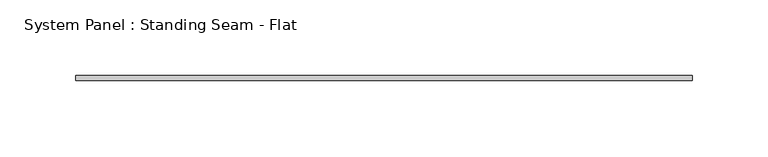
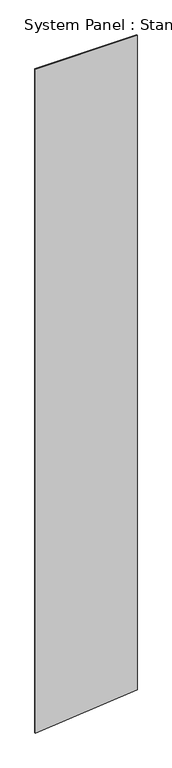
"""IFC4 building model written with IfcOpenShell, lengths in millimetres: plate geometry, System Panel : Standing Seam - Flat."""

from ifc_helpers import new_model, si_unit, frame, origin, place, context, project, spatial, polyline, outline, extrude, source, transform, mapped, element, save


def system_panel_standing_seam_flat_a8be2346(model_context):
    return source(origin(), model_context, "Body", "SweptSolid", [
        extrude(outline(polyline([(0.0, -203.2), (41.2973855, 203.2), (2805.3979163, 203.2), (2805.3979163, -203.2), (0.0, -203.2)])), frame((0.0, -1.5875, 0.0), z_axis=(0.0, 1.0, 0.0), x_axis=(0.0, 0.0, 1.0)), (0.0, 0.0, 1.0), 3.175),
    ])


if __name__ == "__main__":
    model = new_model("IFC4")
    model_context = context("Model", 3, world=origin())
    ifc_project = project(units=[si_unit("LENGTHUNIT", "METRE", prefix="MILLI")], contexts=[model_context])
    site = spatial("IfcSite", under=ifc_project)
    building = spatial("IfcBuilding", under=site)
    placement = place(None, origin())
    system_panel_standing_seam_flat_shape = system_panel_standing_seam_flat_a8be2346(model_context)
    element("IfcPlate", 1, ObjectType="System Panel : Standing Seam - Flat", at=placement, inside=building, context=model_context, shape_type="MappedRepresentation", body=[
        mapped(system_panel_standing_seam_flat_shape, transform((0.0, 0.0, 0.0), x_axis=(1.0, 0.0, 0.0), y_axis=(0.0, 1.0, 0.0), z_axis=(0.0, 0.0, 1.0))),
    ])
    save(model, "model.ifc")
